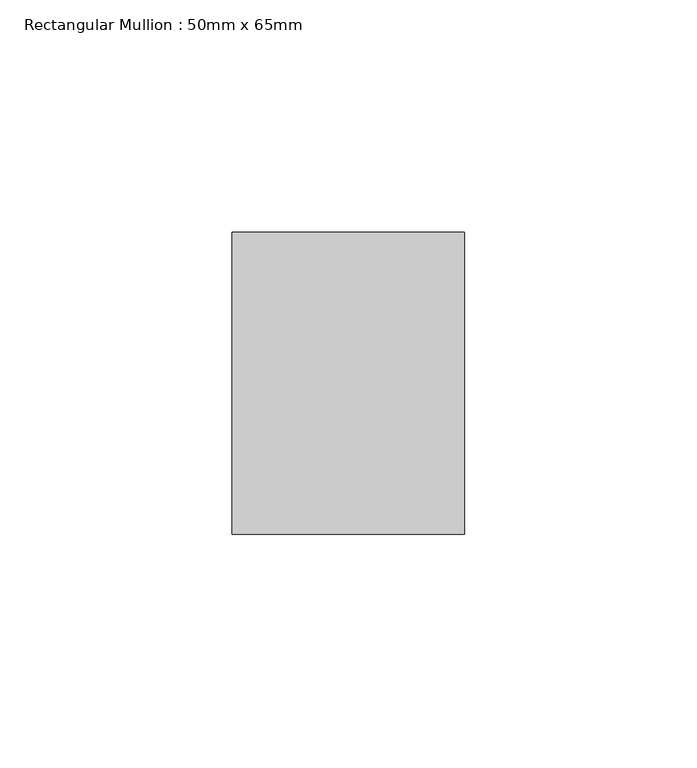
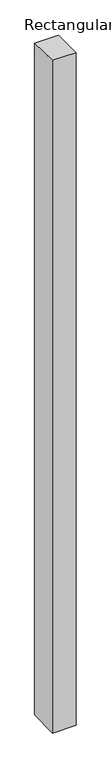
"""IFC4 building model written with IfcOpenShell, lengths in millimetres: member geometry, Rectangular Mullion : 50mm x 65mm."""

from ifc_helpers import new_model, si_unit, origin, place, context, project, spatial, faceted_brep, source, transform, mapped, element, save


def rectangular_mullion_50mm_x_65mm_e22ce47c(model_context):
    return source(origin(), model_context, "Body", "Brep", [
        faceted_brep([(-25.0, 32.5, -0.4518127), (25.0, 32.5, -0.4518172), (25.0, 32.5, -1499.4314684), (-25.0, 32.5, -1499.4314741), (-25.0, -32.5, 0.4518172), (-25.0, -32.5, -1500.568114), (25.0, -32.5, 0.4518127), (25.0, -32.5, -1500.5681084)], [[[0, 1, 2, 3]], [[4, 0, 3, 5]], [[6, 4, 5, 7]], [[1, 6, 7, 2]], [[1, 0, 4, 6]], [[2, 7, 5, 3]]]),
    ])


if __name__ == "__main__":
    model = new_model("IFC4")
    model_context = context("Model", 3, world=origin())
    ifc_project = project(units=[si_unit("LENGTHUNIT", "METRE", prefix="MILLI")], contexts=[model_context])
    site = spatial("IfcSite", under=ifc_project)
    building = spatial("IfcBuilding", under=site)
    placement = place(None, origin())
    rectangular_mullion_50mm_x_65mm_shape = rectangular_mullion_50mm_x_65mm_e22ce47c(model_context)
    element("IfcMember", 1, ObjectType="Rectangular Mullion : 50mm x 65mm", at=placement, inside=building, context=model_context, shape_type="MappedRepresentation", body=[
        mapped(rectangular_mullion_50mm_x_65mm_shape, transform((0.0, 0.0, 0.0), x_axis=(1.0, 0.0, 0.0), y_axis=(0.0, 1.0, 0.0), z_axis=(0.0, 0.0, 1.0))),
    ])
    save(model, "model.ifc")
